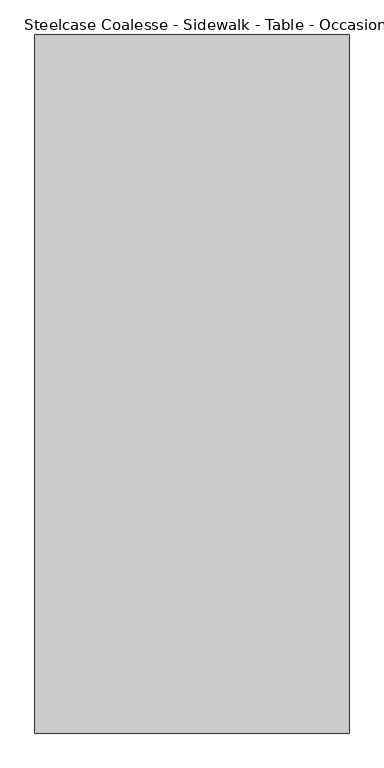
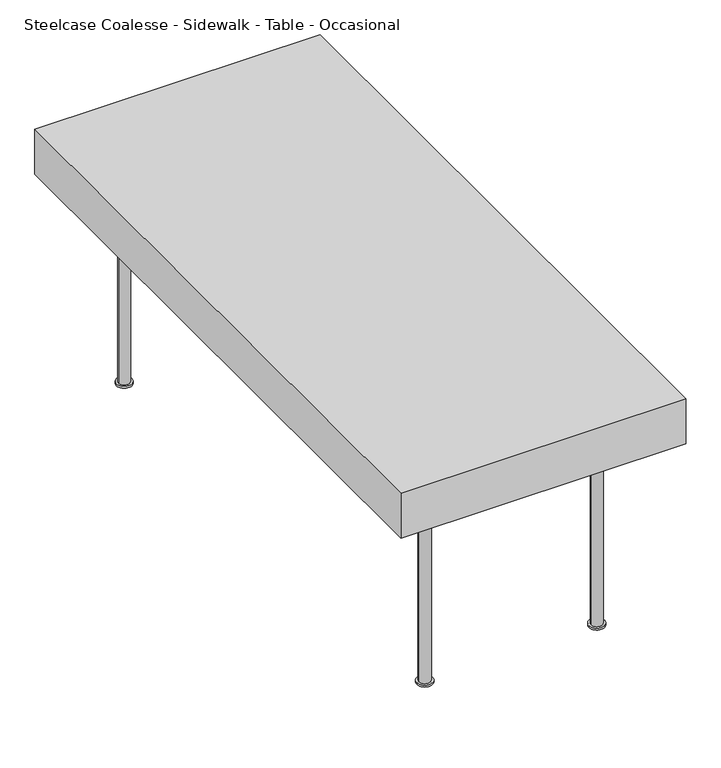
"""IFC4 building model written with IfcOpenShell, lengths in millimetres: furniture geometry, Steelcase Coalesse - Sidewalk - Table - Occasional."""

from ifc_helpers import new_model, si_unit, point, frame, frame_2d, origin, origin_with_axes, place, context, project, spatial, polyline, circle_curve, trimmed, segment, composite_curve, outline, extrude, source, transform, mapped, element, save


def steelcase_coalesse_sidewalk_table_occasional_b1d5fe99(model_context):
    return source(origin(), model_context, "Body", "SweptSolid", [
        extrude(outline(composite_curve([segment(trimmed(circle_curve(frame_2d((178.5324366, -178.6164098)), 18.0), [point((160.5324366, -178.6164098))], [point((196.5324366, -178.6164098))], False, "CARTESIAN"), True, "CONTINUOUS"), segment(trimmed(circle_curve(frame_2d((178.5324366, -178.6164098)), 18.0), [point((196.5324366, -178.6164098))], [point((160.5324366, -178.6164098))], False, "CARTESIAN"), True, "CONTINUOUS")], self_intersect=False)), frame((0.0, 0.0, 6.35), z_axis=(0.0, 0.0, 1.0), x_axis=(1.0, 0.0, 0.0)), (0.0, 0.0, 1.0), 692.0500242),
        extrude(outline(composite_curve([segment(trimmed(circle_curve(frame_2d((178.5324366, -178.6164098)), 25.0), [point((153.5324366, -178.6164098))], [point((203.5324366, -178.6164098))], False, "CARTESIAN"), True, "CONTINUOUS"), segment(trimmed(circle_curve(frame_2d((178.5324366, -178.6164098)), 25.0), [point((203.5324366, -178.6164098))], [point((153.5324366, -178.6164098))], False, "CARTESIAN"), True, "CONTINUOUS")], self_intersect=False)), origin_with_axes(), (0.0, 0.0, 1.0), 6.35),
        extrude(outline(composite_curve([segment(trimmed(circle_curve(frame_2d((721.4675634, -1821.3835901)), 18.0), [point((739.4675634, -1821.3835901))], [point((703.4675634, -1821.3835901))], False, "CARTESIAN"), True, "CONTINUOUS"), segment(trimmed(circle_curve(frame_2d((721.4675634, -1821.3835901)), 18.0), [point((703.4675634, -1821.3835901))], [point((739.4675634, -1821.3835901))], False, "CARTESIAN"), True, "CONTINUOUS")], self_intersect=False)), frame((0.0, 0.0, 6.35), z_axis=(0.0, 0.0, 1.0), x_axis=(1.0, 0.0, 0.0)), (0.0, 0.0, 1.0), 643.65),
        extrude(outline(composite_curve([segment(trimmed(circle_curve(frame_2d((721.4675634, -1821.3835901)), 25.0), [point((746.4675634, -1821.3835901))], [point((696.4675634, -1821.3835901))], False, "CARTESIAN"), True, "CONTINUOUS"), segment(trimmed(circle_curve(frame_2d((721.4675634, -1821.3835901)), 25.0), [point((696.4675634, -1821.3835901))], [point((746.4675634, -1821.3835901))], False, "CARTESIAN"), True, "CONTINUOUS")], self_intersect=False)), origin_with_axes(), (0.0, 0.0, 1.0), 6.35),
        extrude(outline(composite_curve([segment(trimmed(circle_curve(frame_2d((178.5324209, -1821.3835901)), 18.0), [point((160.5324209, -1821.3835901))], [point((196.5324209, -1821.3835901))], False, "CARTESIAN"), True, "CONTINUOUS"), segment(trimmed(circle_curve(frame_2d((178.5324209, -1821.3835901)), 18.0), [point((196.5324209, -1821.3835901))], [point((160.5324209, -1821.3835901))], False, "CARTESIAN"), True, "CONTINUOUS")], self_intersect=False)), frame((0.0, 0.0, 6.35), z_axis=(0.0, 0.0, 1.0), x_axis=(1.0, 0.0, 0.0)), (0.0, 0.0, 1.0), 643.65),
        extrude(outline(composite_curve([segment(trimmed(circle_curve(frame_2d((178.5324209, -1821.3835901)), 25.0), [point((153.5324209, -1821.3835901))], [point((203.5324209, -1821.3835901))], False, "CARTESIAN"), True, "CONTINUOUS"), segment(trimmed(circle_curve(frame_2d((178.5324209, -1821.3835901)), 25.0), [point((203.5324209, -1821.3835901))], [point((153.5324209, -1821.3835901))], False, "CARTESIAN"), True, "CONTINUOUS")], self_intersect=False)), origin_with_axes(), (0.0, 0.0, 1.0), 6.35),
        extrude(outline(composite_curve([segment(trimmed(circle_curve(frame_2d((721.4675634, -178.6164098)), 18.0), [point((739.4675634, -178.6164098))], [point((703.4675634, -178.6164098))], False, "CARTESIAN"), True, "CONTINUOUS"), segment(trimmed(circle_curve(frame_2d((721.4675634, -178.6164098)), 18.0), [point((703.4675634, -178.6164098))], [point((739.4675634, -178.6164098))], False, "CARTESIAN"), True, "CONTINUOUS")], self_intersect=False)), frame((0.0, 0.0, 6.35), z_axis=(0.0, 0.0, 1.0), x_axis=(1.0, 0.0, 0.0)), (0.0, 0.0, 1.0), 643.65),
        extrude(outline(composite_curve([segment(trimmed(circle_curve(frame_2d((721.4675634, -178.6164098)), 25.0), [point((746.4675634, -178.6164098))], [point((696.4675634, -178.6164098))], False, "CARTESIAN"), True, "CONTINUOUS"), segment(trimmed(circle_curve(frame_2d((721.4675634, -178.6164098)), 25.0), [point((696.4675634, -178.6164098))], [point((746.4675634, -178.6164098))], False, "CARTESIAN"), True, "CONTINUOUS")], self_intersect=False)), origin_with_axes(), (0.0, 0.0, 1.0), 6.35),
        extrude(outline(polyline([(900.0, 0.0), (900.0, -2000.0), (0.0, -2000.0), (0.0, 0.0), (900.0, 0.0)])), frame((0.0, 0.0, 650.0), z_axis=(0.0, 0.0, 1.0), x_axis=(1.0, 0.0, 0.0)), (0.0, 0.0, 1.0), 150.0),
    ])


if __name__ == "__main__":
    model = new_model("IFC4")
    model_context = context("Model", 3, world=origin())
    ifc_project = project(units=[si_unit("LENGTHUNIT", "METRE", prefix="MILLI")], contexts=[model_context])
    site = spatial("IfcSite", under=ifc_project)
    building = spatial("IfcBuilding", under=site)
    placement = place(None, origin())
    steelcase_coalesse_sidewalk_table_occasional_shape = steelcase_coalesse_sidewalk_table_occasional_b1d5fe99(model_context)
    element("IfcFurniture", 1, ObjectType="Steelcase Coalesse - Sidewalk - Table - Occasional", at=placement, inside=building, context=model_context, shape_type="MappedRepresentation", body=[
        mapped(steelcase_coalesse_sidewalk_table_occasional_shape, transform((0.0, 0.0, 0.0), x_axis=(1.0, 0.0, 0.0), y_axis=(0.0, 1.0, 0.0), z_axis=(0.0, 0.0, 1.0))),
    ])
    save(model, "model.ifc")
